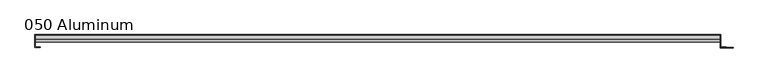
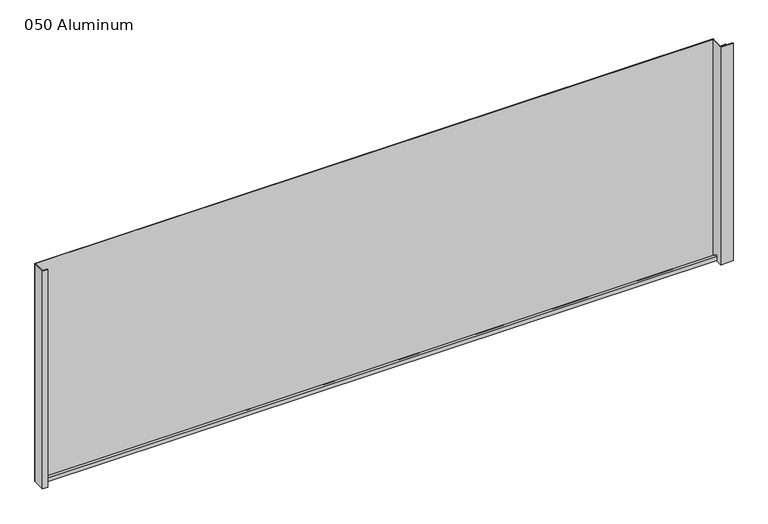
"""IFC4 building model written with IfcOpenShell, lengths in millimetres: plate geometry, 050 Aluminum."""

from ifc_helpers import new_model, si_unit, point, frame, frame_2d, origin, origin_with_axes, place, context, project, spatial, polyline, circle_curve, trimmed, segment, composite_curve, outline, extrude, source, transform, mapped, element, save


def plate_050_aluminum_dcca65e1(model_context):
    return source(origin(), model_context, "Body", "SweptSolid", [
        extrude(outline(polyline([(-919.48, 2.5660257), (-906.5894994, 2.5660257), (-906.5894994, 1.2699999), (-920.7499999, 1.2699999), (-920.7499999, 34.7980001), (-919.48, 34.7980001), (-919.48, 2.5660257)])), origin_with_axes(), (0.0, 0.0, 1.0), 621.03),
        extrude(outline(composite_curve([segment(trimmed(circle_curve(frame_2d((19.8514743, 13.124237)), 3.175), [point((16.6765477, 13.1458337))], [point((23.0264743, 13.124237))], False, "CARTESIAN"), True, "CONTINUOUS"), segment(polyline([(23.0264743, 13.124237), (23.0264743, 1.2693678), (34.7980002, 1.2693678), (34.7980002, 0.0), (21.7564743, 0.0), (21.7564743, 13.124237)]), True, "CONTINUOUS"), segment(trimmed(circle_curve(frame_2d((19.8514743, 13.124237)), 1.905), [point((21.7564743, 13.124237))], [point((17.9464915, 13.1323356))], True, "CARTESIAN"), True, "CONTINUOUS"), segment(polyline([(17.9464915, 13.1323356), (17.9464915, 2.786437), (16.6765477, 2.786437), (16.6765477, 13.1458337)]), True, "CONTINUOUS")], self_intersect=False)), frame((-919.48, 0.0, 0.0), z_axis=(1.0, 0.0, 0.0), x_axis=(0.0, 1.0, 0.0)), (0.0, 0.0, 1.0), 1826.26),
        extrude(outline(polyline([(-920.75, 36.068), (908.05, 36.068), (908.05, 34.7980001), (-920.75, 34.7980001), (-920.75, 36.068)])), origin_with_axes(), (0.0, 0.0, 1.0), 622.3),
        extrude(outline(polyline([(908.05, 1.2699999), (940.5620856, 1.2699999), (940.5620856, 0.0), (906.7800001, 0.0), (906.7800001, 34.7980002), (908.05, 34.7980002), (908.05, 1.2699999)])), origin_with_axes(), (0.0, 0.0, 1.0), 621.03),
        extrude(outline(polyline([(906.78, 3.3274743), (922.5279999, 3.3274743), (922.5279999, 2.0574743), (906.78, 2.0574743), (906.78, 3.3274743)])), origin_with_axes(), (0.0, 0.0, 1.0), 622.3),
    ])


if __name__ == "__main__":
    model = new_model("IFC4")
    model_context = context("Model", 3, world=origin())
    ifc_project = project(units=[si_unit("LENGTHUNIT", "METRE", prefix="MILLI")], contexts=[model_context])
    site = spatial("IfcSite", under=ifc_project)
    building = spatial("IfcBuilding", under=site)
    placement = place(None, origin())
    plate_050_aluminum_shape = plate_050_aluminum_dcca65e1(model_context)
    element("IfcPlate", 1, ObjectType="050 Aluminum", at=placement, inside=building, context=model_context, shape_type="MappedRepresentation", body=[
        mapped(plate_050_aluminum_shape, transform((0.0, 0.0, 0.0), x_axis=(1.0, 0.0, 0.0), y_axis=(0.0, 1.0, 0.0), z_axis=(0.0, 0.0, 1.0))),
    ])
    save(model, "model.ifc")
